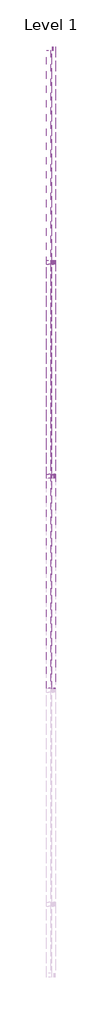
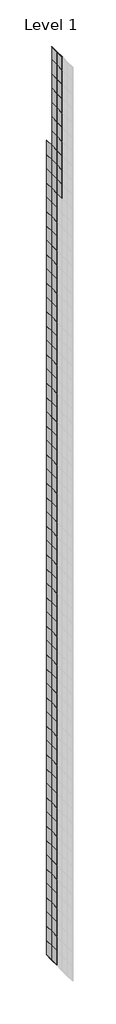
# One storey, part 12 of 29: 131 plates, 4 members.
"""IFC4 building model written with IfcOpenShell, lengths in millimetres."""

import ifcopenshell
import ifcopenshell.guid

model = None  # the IFC model being written
_history = None  # IfcOwnerHistory: only IFC2X3 demands one
_inside = {}  # id of a spatial element -> (the spatial element, [elements in it])
_under = {}  # id of a project, library or spatial element -> (it, [spatial elements below it])
_declared = {}  # id of a project -> (the project, [libraries it declares])
_typed = {}  # id of a type object -> (the type object, [elements of that type])
_made_of = {}  # id of a material, layer set ... -> (it, [elements and type objects made of it])


def new_model(schema):
    """Start an empty IFC model of exactly this schema.

    Asked for "IFC4X3", IfcOpenShell would pick the latest addendum, in which some entities
    have other attributes; the version numbers below select the first issue.
    IFC2X3 requires an IfcOwnerHistory on every rooted entity: one is made here for all.
    """
    global model, _history
    if schema == "IFC4X3":
        model = ifcopenshell.file(schema_version=(4, 3, 0, 0))
    else:
        model = ifcopenshell.file(schema=schema)
    _inside.clear()
    _under.clear()
    _declared.clear()
    _typed.clear()
    _made_of.clear()
    _history = None
    if model.schema == "IFC2X3":
        org = make("IfcOrganization", Name="unknown")
        user = make(
            "IfcPersonAndOrganization",
            ThePerson=make("IfcPerson", FamilyName="unknown"),
            TheOrganization=org,
        )
        app = make(
            "IfcApplication",
            ApplicationDeveloper=org,
            Version="unknown",
            ApplicationFullName="unknown",
            ApplicationIdentifier="unknown",
        )
        _history = make(
            "IfcOwnerHistory",
            OwningUser=user,
            OwningApplication=app,
            ChangeAction="ADDED",
            CreationDate=0,
        )
    return model


def make(cls, **values):
    """One entity of the class cls with the attributes given. An attribute that is None is left unset."""
    return model.create_entity(
        cls, **{name: value for name, value in values.items() if value is not None}
    )


def rooted(cls, **values):
    """An entity with a GlobalId (a new one), such as an element, a storey or a relation."""
    return make(cls, GlobalId=ifcopenshell.guid.new(), OwnerHistory=_history, **values)


def si_unit(unit_type, name, prefix=None):
    """IfcSIUnit, for example si_unit("LENGTHUNIT", "METRE", prefix="MILLI")."""
    return make("IfcSIUnit", UnitType=unit_type, Prefix=prefix, Name=name)


def assignment(units):
    """IfcUnitAssignment: the units of a project."""
    return None if units is None else make("IfcUnitAssignment", Units=units)


def point(xyz):
    """IfcCartesianPoint."""
    return None if xyz is None else make("IfcCartesianPoint", Coordinates=xyz)


def direction(xyz):
    """IfcDirection."""
    return None if xyz is None else make("IfcDirection", DirectionRatios=xyz)


def frame(location, z_axis=None, x_axis=None):
    """IfcAxis2Placement3D, a coordinate frame: its origin and axes. An axis left out is left unset."""
    return make(
        "IfcAxis2Placement3D",
        Location=point(location),
        Axis=direction(z_axis),
        RefDirection=direction(x_axis),
    )


def origin():
    """The frame at (0, 0, 0) with its axes left unset."""
    return frame((0.0, 0.0, 0.0))


def origin_with_axes():
    """The frame at (0, 0, 0) with the z axis (0, 0, 1) and the x axis (1, 0, 0) written out."""
    return frame((0.0, 0.0, 0.0), z_axis=(0.0, 0.0, 1.0), x_axis=(1.0, 0.0, 0.0))


def place(relative_to, where):
    """IfcLocalPlacement: puts the frame where relative to a parent placement (None: the world)."""
    return make(
        "IfcLocalPlacement", PlacementRelTo=relative_to, RelativePlacement=where
    )


def context(
    kind, dimensions, precision=None, world=None, true_north=None, identifier=None
):
    """IfcGeometricRepresentationContext, for example the 3D "Model" context."""
    return make(
        "IfcGeometricRepresentationContext",
        ContextIdentifier=identifier,
        ContextType=kind,
        CoordinateSpaceDimension=dimensions,
        Precision=precision,
        WorldCoordinateSystem=world,
        TrueNorth=true_north,
    )


def project(units=None, contexts=None):
    """IfcProject with its units and contexts."""
    return rooted(
        "IfcProject",
        Name="project",
        RepresentationContexts=contexts,
        UnitsInContext=assignment(units),
    )


def spatial(cls, under=None, at=None, **own):
    """A site, building, storey or space (cls), placed at a placement, below another one or the project."""
    s = rooted(cls, ObjectPlacement=at, **own)
    if under is not None:
        _under.setdefault(under.id(), (under, []))[1].append(s)
    return s


def polyline(points):
    """IfcPolyline through the points."""
    return make("IfcPolyline", Points=[point(p) for p in points])


def outline(outer, holes=None, kind="AREA"):
    """IfcArbitraryClosedProfileDef: a profile drawn as a closed curve; with holes, ...WithVoids."""
    if holes is None:
        return make("IfcArbitraryClosedProfileDef", ProfileType=kind, OuterCurve=outer)
    return make(
        "IfcArbitraryProfileDefWithVoids",
        ProfileType=kind,
        OuterCurve=outer,
        InnerCurves=holes,
    )


def extrude(swept, where, along, depth):
    """IfcExtrudedAreaSolid: the profile swept, set in the frame where, extruded along a direction by depth."""
    return make(
        "IfcExtrudedAreaSolid",
        SweptArea=swept,
        Position=where,
        ExtrudedDirection=direction(along),
        Depth=depth,
    )


def shape(context_of_items, identifier, shape_type, items):
    """IfcShapeRepresentation: the items that make up one representation, for example the "Body"."""
    return make(
        "IfcShapeRepresentation",
        ContextOfItems=context_of_items,
        RepresentationIdentifier=identifier,
        RepresentationType=shape_type,
        Items=items,
    )


def source(mapping_origin, context_of_items, identifier, shape_type, items):
    """IfcRepresentationMap: a shape defined once, which mapped items show again and again."""
    return make(
        "IfcRepresentationMap",
        MappingOrigin=mapping_origin,
        MappedRepresentation=shape(context_of_items, identifier, shape_type, items),
    )


def transform(
    local_origin,
    x_axis=None,
    y_axis=None,
    z_axis=None,
    scale=None,
    scale2=None,
    scale3=None,
    uniform=True,
):
    """IfcCartesianTransformationOperator3D, or its non-uniform kind. x_axis, y_axis, z_axis: its Axis1, 2, 3."""
    if uniform:
        return make(
            "IfcCartesianTransformationOperator3D",
            Axis1=direction(x_axis),
            Axis2=direction(y_axis),
            LocalOrigin=point(local_origin),
            Scale=scale,
            Axis3=direction(z_axis),
        )
    return make(
        "IfcCartesianTransformationOperator3DnonUniform",
        Axis1=direction(x_axis),
        Axis2=direction(y_axis),
        LocalOrigin=point(local_origin),
        Scale=scale,
        Axis3=direction(z_axis),
        Scale2=scale2,
        Scale3=scale3,
    )


def mapped(mapping_source, mapping_target):
    """IfcMappedItem: shows the shape of a source again, moved by a transform."""
    return make(
        "IfcMappedItem", MappingSource=mapping_source, MappingTarget=mapping_target
    )


def made_of(thing, what):
    """Note that an element or type object is made of a material, layer set ...; save() writes the relation."""
    if what is not None:
        _made_of.setdefault(what.id(), (what, []))[1].append(thing)
    return thing


def element(
    cls,
    number,
    at=None,
    inside=None,
    cuts=None,
    type_object=None,
    material=None,
    context=None,
    identifier="Body",
    shape_type=None,
    held_by="IfcProductDefinitionShape",
    body=None,
    shapes=None,
    **own,
):
    """One element of the class cls, such as IfcWall. Its Tag is "e" and its number.

    at: its placement. inside: the storey or other place that contains it. cuts: it is an
    opening in that element (IfcRelVoidsElement). A single representation is given by context,
    identifier, shape_type and body (its items); several are given by shapes. held_by: the class
    of the entity that holds the representations. save() writes the other relations.
    """
    e = rooted(cls, Tag="e%d" % number, ObjectPlacement=at, **own)
    if body is not None:
        shapes = [shape(context, identifier, shape_type, body)]
    if shapes is not None:
        e.Representation = make(held_by, Representations=shapes)
    if inside is not None:
        _inside.setdefault(inside.id(), (inside, []))[1].append(e)
    if cuts is not None:
        rooted(
            "IfcRelVoidsElement", RelatingBuildingElement=cuts, RelatedOpeningElement=e
        )
    if type_object is not None:
        _typed.setdefault(type_object.id(), (type_object, []))[1].append(e)
    return made_of(e, material)


def aggregate(whole, parts):
    """IfcRelAggregates: a whole, such as a stair, and the parts it consists of."""
    return rooted("IfcRelAggregates", RelatingObject=whole, RelatedObjects=parts)


def save(model, path):
    """Write the relations noted so far, then the file.

    IfcRelAggregates (storeys below a building ...), IfcRelContainedInSpatialStructure (elements
    in a storey), IfcRelDefinesByType, IfcRelAssociatesMaterial and IfcRelDeclares: one each for
    every whole, place, type object, material and project.
    """
    for whole, parts in _under.values():
        aggregate(whole, parts)
    for where, things in _inside.values():
        rooted(
            "IfcRelContainedInSpatialStructure",
            RelatedElements=things,
            RelatingStructure=where,
        )
    for kind, things in _typed.values():
        rooted("IfcRelDefinesByType", RelatedObjects=things, RelatingType=kind)
    for what, things in _made_of.values():
        rooted("IfcRelAssociatesMaterial", RelatedObjects=things, RelatingMaterial=what)
    for by, libraries in _declared.values():
        rooted("IfcRelDeclares", RelatingContext=by, RelatedDefinitions=libraries)
    model.write(path)


def rectangular_mullion_30mm_square_0448d2ee(model_context):
    return source(origin(), model_context, "Body", "SweptSolid", [
        extrude(outline(polyline([(0.0, 15.0), (0.0, -15.0), (-30.0, -15.0), (-30.0, 15.0), (0.0, 15.0)])), frame((0.0, 0.0, -1500.0), z_axis=(0.0, 0.0, 1.0), x_axis=(1.0, 0.0, 0.0)), (0.0, 0.0, 1.0), 1500.0),
    ])


def system_panel_glazed_328a1fc4(model_context):
    return source(origin(), model_context, "Body", "SweptSolid", [
        extrude(outline(polyline([(750.0, -49.5), (-750.0, -49.5), (-750.0, -24.5), (750.0, -24.5), (750.0, -49.5)])), origin_with_axes(), (0.0, 0.0, 1.0), 2500.0),
    ])


def system_panel_glazed_00ce7913(model_context):
    return source(origin(), model_context, "Body", "SweptSolid", [
        extrude(outline(polyline([(750.0, -49.5), (-750.0, -49.5), (-750.0, -24.5), (750.0, -24.5), (750.0, -49.5)])), origin_with_axes(), (0.0, 0.0, 1.0), 2300.0),
    ])


model = new_model("IFC4")

# Units and contexts
model_context = context("Model", 3, world=origin())
ifc_project = project(units=[si_unit("LENGTHUNIT", "METRE", prefix="MILLI")], contexts=[model_context])

# Site, building, storey
site = spatial("IfcSite", under=ifc_project)
building = spatial("IfcBuilding", under=site)
storey = spatial("IfcBuildingStorey", under=building, Name="Level 1", Elevation=0.0)

# Members
placement = place(None, origin())
rectangular_mullion_30mm_square_shape = rectangular_mullion_30mm_square_0448d2ee(model_context)
element("IfcMember", 1, ObjectType="Rectangular Mullion : 30mm Square", at=placement, inside=storey, context=model_context, shape_type="MappedRepresentation", body=[
    mapped(rectangular_mullion_30mm_square_shape, transform((27779.9951476, -6946.8870295, 300200.0), x_axis=(0.0, 0.0, 1.0), y_axis=(1.0, 0.0, 0.0), z_axis=(0.0, 1.0, 0.0))),
])
element("IfcMember", 2, ObjectType="Rectangular Mullion : 30mm Square", at=placement, inside=storey, context=model_context, shape_type="MappedRepresentation", body=[
    mapped(rectangular_mullion_30mm_square_shape, transform((27779.9951476, -5446.8870295, 300200.0), x_axis=(0.0, 0.0, 1.0), y_axis=(1.0, 0.0, 0.0), z_axis=(0.0, 1.0, 0.0))),
])
element("IfcMember", 3, ObjectType="Rectangular Mullion : 30mm Square", at=placement, inside=storey, context=model_context, shape_type="MappedRepresentation", body=[
    mapped(rectangular_mullion_30mm_square_shape, transform((27779.9951476, -6946.8870295, 140400.0), x_axis=(0.0, 0.0, -1.0), y_axis=(1.0, 0.0, 0.0), z_axis=(0.0, -1.0, 0.0))),
])
element("IfcMember", 4, ObjectType="Rectangular Mullion : 30mm Square", at=placement, inside=storey, context=model_context, shape_type="MappedRepresentation", body=[
    mapped(rectangular_mullion_30mm_square_shape, transform((27779.9951476, -5446.8870295, 140400.0), x_axis=(0.0, 0.0, -1.0), y_axis=(1.0, 0.0, 0.0), z_axis=(0.0, -1.0, 0.0))),
])

# Plates
system_panel_glazed_shape = system_panel_glazed_328a1fc4(model_context)
element("IfcPlate", 5, ObjectType="System Panel : Glazed", at=placement, inside=storey, context=model_context, shape_type="MappedRepresentation", body=[
    mapped(system_panel_glazed_shape, transform((27779.9951476, -6196.8870295, 140400.0), x_axis=(0.0, 1.0, 0.0), y_axis=(-1.0, 0.0, 0.0), z_axis=(0.0, 0.0, 1.0))),
])
element("IfcPlate", 6, ObjectType="System Panel : Glazed", at=placement, inside=storey, context=model_context, shape_type="MappedRepresentation", body=[
    mapped(system_panel_glazed_shape, transform((27779.9951476, -4696.8870295, 140400.0), x_axis=(0.0, 1.0, 0.0), y_axis=(-1.0, 0.0, 0.0), z_axis=(0.0, 0.0, 1.0))),
])
element("IfcPlate", 7, ObjectType="System Panel : Glazed", at=placement, inside=storey, context=model_context, shape_type="MappedRepresentation", body=[
    mapped(system_panel_glazed_shape, transform((27779.9951476, -6196.8870295, 142900.0), x_axis=(0.0, 1.0, 0.0), y_axis=(-1.0, 0.0, 0.0), z_axis=(0.0, 0.0, 1.0))),
])
element("IfcPlate", 8, ObjectType="System Panel : Glazed", at=placement, inside=storey, context=model_context, shape_type="MappedRepresentation", body=[
    mapped(system_panel_glazed_shape, transform((27779.9951476, -4696.8870295, 142900.0), x_axis=(0.0, 1.0, 0.0), y_axis=(-1.0, 0.0, 0.0), z_axis=(0.0, 0.0, 1.0))),
])
element("IfcPlate", 9, ObjectType="System Panel : Glazed", at=placement, inside=storey, context=model_context, shape_type="MappedRepresentation", body=[
    mapped(system_panel_glazed_shape, transform((27779.9951476, -6196.8870295, 145400.0), x_axis=(0.0, 1.0, 0.0), y_axis=(-1.0, 0.0, 0.0), z_axis=(0.0, 0.0, 1.0))),
])
element("IfcPlate", 10, ObjectType="System Panel : Glazed", at=placement, inside=storey, context=model_context, shape_type="MappedRepresentation", body=[
    mapped(system_panel_glazed_shape, transform((27779.9951476, -4696.8870295, 145400.0), x_axis=(0.0, 1.0, 0.0), y_axis=(-1.0, 0.0, 0.0), z_axis=(0.0, 0.0, 1.0))),
])
element("IfcPlate", 11, ObjectType="System Panel : Glazed", at=placement, inside=storey, context=model_context, shape_type="MappedRepresentation", body=[
    mapped(system_panel_glazed_shape, transform((27779.9951476, -6196.8870295, 147900.0), x_axis=(0.0, 1.0, 0.0), y_axis=(-1.0, 0.0, 0.0), z_axis=(0.0, 0.0, 1.0))),
])
element("IfcPlate", 12, ObjectType="System Panel : Glazed", at=placement, inside=storey, context=model_context, shape_type="MappedRepresentation", body=[
    mapped(system_panel_glazed_shape, transform((27779.9951476, -4696.8870295, 147900.0), x_axis=(0.0, 1.0, 0.0), y_axis=(-1.0, 0.0, 0.0), z_axis=(0.0, 0.0, 1.0))),
])
element("IfcPlate", 13, ObjectType="System Panel : Glazed", at=placement, inside=storey, context=model_context, shape_type="MappedRepresentation", body=[
    mapped(system_panel_glazed_shape, transform((27779.9951476, -6196.8870295, 150400.0), x_axis=(0.0, 1.0, 0.0), y_axis=(-1.0, 0.0, 0.0), z_axis=(0.0, 0.0, 1.0))),
])
element("IfcPlate", 14, ObjectType="System Panel : Glazed", at=placement, inside=storey, context=model_context, shape_type="MappedRepresentation", body=[
    mapped(system_panel_glazed_shape, transform((27779.9951476, -4696.8870295, 150400.0), x_axis=(0.0, 1.0, 0.0), y_axis=(-1.0, 0.0, 0.0), z_axis=(0.0, 0.0, 1.0))),
])
element("IfcPlate", 15, ObjectType="System Panel : Glazed", at=placement, inside=storey, context=model_context, shape_type="MappedRepresentation", body=[
    mapped(system_panel_glazed_shape, transform((27779.9951476, -6196.8870295, 152900.0), x_axis=(0.0, 1.0, 0.0), y_axis=(-1.0, 0.0, 0.0), z_axis=(0.0, 0.0, 1.0))),
])
element("IfcPlate", 16, ObjectType="System Panel : Glazed", at=placement, inside=storey, context=model_context, shape_type="MappedRepresentation", body=[
    mapped(system_panel_glazed_shape, transform((27779.9951476, -4696.8870295, 152900.0), x_axis=(0.0, 1.0, 0.0), y_axis=(-1.0, 0.0, 0.0), z_axis=(0.0, 0.0, 1.0))),
])
element("IfcPlate", 17, ObjectType="System Panel : Glazed", at=placement, inside=storey, context=model_context, shape_type="MappedRepresentation", body=[
    mapped(system_panel_glazed_shape, transform((27779.9951476, -6196.8870295, 155400.0), x_axis=(0.0, 1.0, 0.0), y_axis=(-1.0, 0.0, 0.0), z_axis=(0.0, 0.0, 1.0))),
])
element("IfcPlate", 18, ObjectType="System Panel : Glazed", at=placement, inside=storey, context=model_context, shape_type="MappedRepresentation", body=[
    mapped(system_panel_glazed_shape, transform((27779.9951476, -4696.8870295, 155400.0), x_axis=(0.0, 1.0, 0.0), y_axis=(-1.0, 0.0, 0.0), z_axis=(0.0, 0.0, 1.0))),
])
element("IfcPlate", 19, ObjectType="System Panel : Glazed", at=placement, inside=storey, context=model_context, shape_type="MappedRepresentation", body=[
    mapped(system_panel_glazed_shape, transform((27779.9951476, -6196.8870295, 157900.0), x_axis=(0.0, 1.0, 0.0), y_axis=(-1.0, 0.0, 0.0), z_axis=(0.0, 0.0, 1.0))),
])
element("IfcPlate", 20, ObjectType="System Panel : Glazed", at=placement, inside=storey, context=model_context, shape_type="MappedRepresentation", body=[
    mapped(system_panel_glazed_shape, transform((27779.9951476, -4696.8870295, 157900.0), x_axis=(0.0, 1.0, 0.0), y_axis=(-1.0, 0.0, 0.0), z_axis=(0.0, 0.0, 1.0))),
])
element("IfcPlate", 21, ObjectType="System Panel : Glazed", at=placement, inside=storey, context=model_context, shape_type="MappedRepresentation", body=[
    mapped(system_panel_glazed_shape, transform((27779.9951476, -6196.8870295, 160400.0), x_axis=(0.0, 1.0, 0.0), y_axis=(-1.0, 0.0, 0.0), z_axis=(0.0, 0.0, 1.0))),
])
element("IfcPlate", 22, ObjectType="System Panel : Glazed", at=placement, inside=storey, context=model_context, shape_type="MappedRepresentation", body=[
    mapped(system_panel_glazed_shape, transform((27779.9951476, -4696.8870295, 160400.0), x_axis=(0.0, 1.0, 0.0), y_axis=(-1.0, 0.0, 0.0), z_axis=(0.0, 0.0, 1.0))),
])
element("IfcPlate", 23, ObjectType="System Panel : Glazed", at=placement, inside=storey, context=model_context, shape_type="MappedRepresentation", body=[
    mapped(system_panel_glazed_shape, transform((27779.9951476, -6196.8870295, 162900.0), x_axis=(0.0, 1.0, 0.0), y_axis=(-1.0, 0.0, 0.0), z_axis=(0.0, 0.0, 1.0))),
])
element("IfcPlate", 24, ObjectType="System Panel : Glazed", at=placement, inside=storey, context=model_context, shape_type="MappedRepresentation", body=[
    mapped(system_panel_glazed_shape, transform((27779.9951476, -4696.8870295, 162900.0), x_axis=(0.0, 1.0, 0.0), y_axis=(-1.0, 0.0, 0.0), z_axis=(0.0, 0.0, 1.0))),
])
element("IfcPlate", 25, ObjectType="System Panel : Glazed", at=placement, inside=storey, context=model_context, shape_type="MappedRepresentation", body=[
    mapped(system_panel_glazed_shape, transform((27779.9951476, -6196.8870295, 165400.0), x_axis=(0.0, 1.0, 0.0), y_axis=(-1.0, 0.0, 0.0), z_axis=(0.0, 0.0, 1.0))),
])
element("IfcPlate", 26, ObjectType="System Panel : Glazed", at=placement, inside=storey, context=model_context, shape_type="MappedRepresentation", body=[
    mapped(system_panel_glazed_shape, transform((27779.9951476, -4696.8870295, 165400.0), x_axis=(0.0, 1.0, 0.0), y_axis=(-1.0, 0.0, 0.0), z_axis=(0.0, 0.0, 1.0))),
])
element("IfcPlate", 27, ObjectType="System Panel : Glazed", at=placement, inside=storey, context=model_context, shape_type="MappedRepresentation", body=[
    mapped(system_panel_glazed_shape, transform((27779.9951476, -6196.8870295, 167900.0), x_axis=(0.0, 1.0, 0.0), y_axis=(-1.0, 0.0, 0.0), z_axis=(0.0, 0.0, 1.0))),
])
element("IfcPlate", 28, ObjectType="System Panel : Glazed", at=placement, inside=storey, context=model_context, shape_type="MappedRepresentation", body=[
    mapped(system_panel_glazed_shape, transform((27779.9951476, -4696.8870295, 167900.0), x_axis=(0.0, 1.0, 0.0), y_axis=(-1.0, 0.0, 0.0), z_axis=(0.0, 0.0, 1.0))),
])
element("IfcPlate", 29, ObjectType="System Panel : Glazed", at=placement, inside=storey, context=model_context, shape_type="MappedRepresentation", body=[
    mapped(system_panel_glazed_shape, transform((27779.9951476, -6196.8870295, 170400.0), x_axis=(0.0, 1.0, 0.0), y_axis=(-1.0, 0.0, 0.0), z_axis=(0.0, 0.0, 1.0))),
])
element("IfcPlate", 30, ObjectType="System Panel : Glazed", at=placement, inside=storey, context=model_context, shape_type="MappedRepresentation", body=[
    mapped(system_panel_glazed_shape, transform((27779.9951476, -4696.8870295, 170400.0), x_axis=(0.0, 1.0, 0.0), y_axis=(-1.0, 0.0, 0.0), z_axis=(0.0, 0.0, 1.0))),
])
element("IfcPlate", 31, ObjectType="System Panel : Glazed", at=placement, inside=storey, context=model_context, shape_type="MappedRepresentation", body=[
    mapped(system_panel_glazed_shape, transform((27779.9951476, -6196.8870295, 172900.0), x_axis=(0.0, 1.0, 0.0), y_axis=(-1.0, 0.0, 0.0), z_axis=(0.0, 0.0, 1.0))),
])
element("IfcPlate", 32, ObjectType="System Panel : Glazed", at=placement, inside=storey, context=model_context, shape_type="MappedRepresentation", body=[
    mapped(system_panel_glazed_shape, transform((27779.9951476, -4696.8870295, 172900.0), x_axis=(0.0, 1.0, 0.0), y_axis=(-1.0, 0.0, 0.0), z_axis=(0.0, 0.0, 1.0))),
])
element("IfcPlate", 33, ObjectType="System Panel : Glazed", at=placement, inside=storey, context=model_context, shape_type="MappedRepresentation", body=[
    mapped(system_panel_glazed_shape, transform((27779.9951476, -6196.8870295, 175400.0), x_axis=(0.0, 1.0, 0.0), y_axis=(-1.0, 0.0, 0.0), z_axis=(0.0, 0.0, 1.0))),
])
element("IfcPlate", 34, ObjectType="System Panel : Glazed", at=placement, inside=storey, context=model_context, shape_type="MappedRepresentation", body=[
    mapped(system_panel_glazed_shape, transform((27779.9951476, -4696.8870295, 175400.0), x_axis=(0.0, 1.0, 0.0), y_axis=(-1.0, 0.0, 0.0), z_axis=(0.0, 0.0, 1.0))),
])
element("IfcPlate", 35, ObjectType="System Panel : Glazed", at=placement, inside=storey, context=model_context, shape_type="MappedRepresentation", body=[
    mapped(system_panel_glazed_shape, transform((27779.9951476, -6196.8870295, 177900.0), x_axis=(0.0, 1.0, 0.0), y_axis=(-1.0, 0.0, 0.0), z_axis=(0.0, 0.0, 1.0))),
])
element("IfcPlate", 36, ObjectType="System Panel : Glazed", at=placement, inside=storey, context=model_context, shape_type="MappedRepresentation", body=[
    mapped(system_panel_glazed_shape, transform((27779.9951476, -4696.8870295, 177900.0), x_axis=(0.0, 1.0, 0.0), y_axis=(-1.0, 0.0, 0.0), z_axis=(0.0, 0.0, 1.0))),
])
element("IfcPlate", 37, ObjectType="System Panel : Glazed", at=placement, inside=storey, context=model_context, shape_type="MappedRepresentation", body=[
    mapped(system_panel_glazed_shape, transform((27779.9951476, -6196.8870295, 180400.0), x_axis=(0.0, 1.0, 0.0), y_axis=(-1.0, 0.0, 0.0), z_axis=(0.0, 0.0, 1.0))),
])
element("IfcPlate", 38, ObjectType="System Panel : Glazed", at=placement, inside=storey, context=model_context, shape_type="MappedRepresentation", body=[
    mapped(system_panel_glazed_shape, transform((27779.9951476, -4696.8870295, 180400.0), x_axis=(0.0, 1.0, 0.0), y_axis=(-1.0, 0.0, 0.0), z_axis=(0.0, 0.0, 1.0))),
])
element("IfcPlate", 39, ObjectType="System Panel : Glazed", at=placement, inside=storey, context=model_context, shape_type="MappedRepresentation", body=[
    mapped(system_panel_glazed_shape, transform((27779.9951476, -6196.8870295, 182900.0), x_axis=(0.0, 1.0, 0.0), y_axis=(-1.0, 0.0, 0.0), z_axis=(0.0, 0.0, 1.0))),
])
element("IfcPlate", 40, ObjectType="System Panel : Glazed", at=placement, inside=storey, context=model_context, shape_type="MappedRepresentation", body=[
    mapped(system_panel_glazed_shape, transform((27779.9951476, -4696.8870295, 182900.0), x_axis=(0.0, 1.0, 0.0), y_axis=(-1.0, 0.0, 0.0), z_axis=(0.0, 0.0, 1.0))),
])
element("IfcPlate", 41, ObjectType="System Panel : Glazed", at=placement, inside=storey, context=model_context, shape_type="MappedRepresentation", body=[
    mapped(system_panel_glazed_shape, transform((27779.9951476, -6196.8870295, 185400.0), x_axis=(0.0, 1.0, 0.0), y_axis=(-1.0, 0.0, 0.0), z_axis=(0.0, 0.0, 1.0))),
])
element("IfcPlate", 42, ObjectType="System Panel : Glazed", at=placement, inside=storey, context=model_context, shape_type="MappedRepresentation", body=[
    mapped(system_panel_glazed_shape, transform((27779.9951476, -4696.8870295, 185400.0), x_axis=(0.0, 1.0, 0.0), y_axis=(-1.0, 0.0, 0.0), z_axis=(0.0, 0.0, 1.0))),
])
element("IfcPlate", 43, ObjectType="System Panel : Glazed", at=placement, inside=storey, context=model_context, shape_type="MappedRepresentation", body=[
    mapped(system_panel_glazed_shape, transform((27779.9951476, -6196.8870295, 187900.0), x_axis=(0.0, 1.0, 0.0), y_axis=(-1.0, 0.0, 0.0), z_axis=(0.0, 0.0, 1.0))),
])
element("IfcPlate", 44, ObjectType="System Panel : Glazed", at=placement, inside=storey, context=model_context, shape_type="MappedRepresentation", body=[
    mapped(system_panel_glazed_shape, transform((27779.9951476, -4696.8870295, 187900.0), x_axis=(0.0, 1.0, 0.0), y_axis=(-1.0, 0.0, 0.0), z_axis=(0.0, 0.0, 1.0))),
])
element("IfcPlate", 45, ObjectType="System Panel : Glazed", at=placement, inside=storey, context=model_context, shape_type="MappedRepresentation", body=[
    mapped(system_panel_glazed_shape, transform((27779.9951476, -6196.8870295, 190400.0), x_axis=(0.0, 1.0, 0.0), y_axis=(-1.0, 0.0, 0.0), z_axis=(0.0, 0.0, 1.0))),
])
element("IfcPlate", 46, ObjectType="System Panel : Glazed", at=placement, inside=storey, context=model_context, shape_type="MappedRepresentation", body=[
    mapped(system_panel_glazed_shape, transform((27779.9951476, -4696.8870295, 190400.0), x_axis=(0.0, 1.0, 0.0), y_axis=(-1.0, 0.0, 0.0), z_axis=(0.0, 0.0, 1.0))),
])
element("IfcPlate", 47, ObjectType="System Panel : Glazed", at=placement, inside=storey, context=model_context, shape_type="MappedRepresentation", body=[
    mapped(system_panel_glazed_shape, transform((27779.9951476, -6196.8870295, 192900.0), x_axis=(0.0, 1.0, 0.0), y_axis=(-1.0, 0.0, 0.0), z_axis=(0.0, 0.0, 1.0))),
])
element("IfcPlate", 48, ObjectType="System Panel : Glazed", at=placement, inside=storey, context=model_context, shape_type="MappedRepresentation", body=[
    mapped(system_panel_glazed_shape, transform((27779.9951476, -4696.8870295, 192900.0), x_axis=(0.0, 1.0, 0.0), y_axis=(-1.0, 0.0, 0.0), z_axis=(0.0, 0.0, 1.0))),
])
element("IfcPlate", 49, ObjectType="System Panel : Glazed", at=placement, inside=storey, context=model_context, shape_type="MappedRepresentation", body=[
    mapped(system_panel_glazed_shape, transform((27779.9951476, -6196.8870295, 195400.0), x_axis=(0.0, 1.0, 0.0), y_axis=(-1.0, 0.0, 0.0), z_axis=(0.0, 0.0, 1.0))),
])
element("IfcPlate", 50, ObjectType="System Panel : Glazed", at=placement, inside=storey, context=model_context, shape_type="MappedRepresentation", body=[
    mapped(system_panel_glazed_shape, transform((27779.9951476, -4696.8870295, 195400.0), x_axis=(0.0, 1.0, 0.0), y_axis=(-1.0, 0.0, 0.0), z_axis=(0.0, 0.0, 1.0))),
])
element("IfcPlate", 51, ObjectType="System Panel : Glazed", at=placement, inside=storey, context=model_context, shape_type="MappedRepresentation", body=[
    mapped(system_panel_glazed_shape, transform((27779.9951476, -6196.8870295, 197900.0), x_axis=(0.0, 1.0, 0.0), y_axis=(-1.0, 0.0, 0.0), z_axis=(0.0, 0.0, 1.0))),
])
element("IfcPlate", 52, ObjectType="System Panel : Glazed", at=placement, inside=storey, context=model_context, shape_type="MappedRepresentation", body=[
    mapped(system_panel_glazed_shape, transform((27779.9951476, -4696.8870295, 197900.0), x_axis=(0.0, 1.0, 0.0), y_axis=(-1.0, 0.0, 0.0), z_axis=(0.0, 0.0, 1.0))),
])
element("IfcPlate", 53, ObjectType="System Panel : Glazed", at=placement, inside=storey, context=model_context, shape_type="MappedRepresentation", body=[
    mapped(system_panel_glazed_shape, transform((27779.9951476, -6196.8870295, 200400.0), x_axis=(0.0, 1.0, 0.0), y_axis=(-1.0, 0.0, 0.0), z_axis=(0.0, 0.0, 1.0))),
])
element("IfcPlate", 54, ObjectType="System Panel : Glazed", at=placement, inside=storey, context=model_context, shape_type="MappedRepresentation", body=[
    mapped(system_panel_glazed_shape, transform((27779.9951476, -4696.8870295, 200400.0), x_axis=(0.0, 1.0, 0.0), y_axis=(-1.0, 0.0, 0.0), z_axis=(0.0, 0.0, 1.0))),
])
element("IfcPlate", 55, ObjectType="System Panel : Glazed", at=placement, inside=storey, context=model_context, shape_type="MappedRepresentation", body=[
    mapped(system_panel_glazed_shape, transform((27779.9951476, -6196.8870295, 202900.0), x_axis=(0.0, 1.0, 0.0), y_axis=(-1.0, 0.0, 0.0), z_axis=(0.0, 0.0, 1.0))),
])
element("IfcPlate", 56, ObjectType="System Panel : Glazed", at=placement, inside=storey, context=model_context, shape_type="MappedRepresentation", body=[
    mapped(system_panel_glazed_shape, transform((27779.9951476, -4696.8870295, 202900.0), x_axis=(0.0, 1.0, 0.0), y_axis=(-1.0, 0.0, 0.0), z_axis=(0.0, 0.0, 1.0))),
])
element("IfcPlate", 57, ObjectType="System Panel : Glazed", at=placement, inside=storey, context=model_context, shape_type="MappedRepresentation", body=[
    mapped(system_panel_glazed_shape, transform((27779.9951476, -6196.8870295, 205400.0), x_axis=(0.0, 1.0, 0.0), y_axis=(-1.0, 0.0, 0.0), z_axis=(0.0, 0.0, 1.0))),
])
element("IfcPlate", 58, ObjectType="System Panel : Glazed", at=placement, inside=storey, context=model_context, shape_type="MappedRepresentation", body=[
    mapped(system_panel_glazed_shape, transform((27779.9951476, -4696.8870295, 205400.0), x_axis=(0.0, 1.0, 0.0), y_axis=(-1.0, 0.0, 0.0), z_axis=(0.0, 0.0, 1.0))),
])
element("IfcPlate", 59, ObjectType="System Panel : Glazed", at=placement, inside=storey, context=model_context, shape_type="MappedRepresentation", body=[
    mapped(system_panel_glazed_shape, transform((27779.9951476, -6196.8870295, 207900.0), x_axis=(0.0, 1.0, 0.0), y_axis=(-1.0, 0.0, 0.0), z_axis=(0.0, 0.0, 1.0))),
])
element("IfcPlate", 60, ObjectType="System Panel : Glazed", at=placement, inside=storey, context=model_context, shape_type="MappedRepresentation", body=[
    mapped(system_panel_glazed_shape, transform((27779.9951476, -4696.8870295, 207900.0), x_axis=(0.0, 1.0, 0.0), y_axis=(-1.0, 0.0, 0.0), z_axis=(0.0, 0.0, 1.0))),
])
element("IfcPlate", 61, ObjectType="System Panel : Glazed", at=placement, inside=storey, context=model_context, shape_type="MappedRepresentation", body=[
    mapped(system_panel_glazed_shape, transform((27779.9951476, -6196.8870295, 210400.0), x_axis=(0.0, 1.0, 0.0), y_axis=(-1.0, 0.0, 0.0), z_axis=(0.0, 0.0, 1.0))),
])
element("IfcPlate", 62, ObjectType="System Panel : Glazed", at=placement, inside=storey, context=model_context, shape_type="MappedRepresentation", body=[
    mapped(system_panel_glazed_shape, transform((27779.9951476, -4696.8870295, 210400.0), x_axis=(0.0, 1.0, 0.0), y_axis=(-1.0, 0.0, 0.0), z_axis=(0.0, 0.0, 1.0))),
])
element("IfcPlate", 63, ObjectType="System Panel : Glazed", at=placement, inside=storey, context=model_context, shape_type="MappedRepresentation", body=[
    mapped(system_panel_glazed_shape, transform((27779.9951476, -6196.8870295, 212900.0), x_axis=(0.0, 1.0, 0.0), y_axis=(-1.0, 0.0, 0.0), z_axis=(0.0, 0.0, 1.0))),
])
element("IfcPlate", 64, ObjectType="System Panel : Glazed", at=placement, inside=storey, context=model_context, shape_type="MappedRepresentation", body=[
    mapped(system_panel_glazed_shape, transform((27779.9951476, -4696.8870295, 212900.0), x_axis=(0.0, 1.0, 0.0), y_axis=(-1.0, 0.0, 0.0), z_axis=(0.0, 0.0, 1.0))),
])
element("IfcPlate", 65, ObjectType="System Panel : Glazed", at=placement, inside=storey, context=model_context, shape_type="MappedRepresentation", body=[
    mapped(system_panel_glazed_shape, transform((27779.9951476, -6196.8870295, 215400.0), x_axis=(0.0, 1.0, 0.0), y_axis=(-1.0, 0.0, 0.0), z_axis=(0.0, 0.0, 1.0))),
])
element("IfcPlate", 66, ObjectType="System Panel : Glazed", at=placement, inside=storey, context=model_context, shape_type="MappedRepresentation", body=[
    mapped(system_panel_glazed_shape, transform((27779.9951476, -4696.8870295, 215400.0), x_axis=(0.0, 1.0, 0.0), y_axis=(-1.0, 0.0, 0.0), z_axis=(0.0, 0.0, 1.0))),
])
element("IfcPlate", 67, ObjectType="System Panel : Glazed", at=placement, inside=storey, context=model_context, shape_type="MappedRepresentation", body=[
    mapped(system_panel_glazed_shape, transform((27779.9951476, -6196.8870295, 217900.0), x_axis=(0.0, 1.0, 0.0), y_axis=(-1.0, 0.0, 0.0), z_axis=(0.0, 0.0, 1.0))),
])
element("IfcPlate", 68, ObjectType="System Panel : Glazed", at=placement, inside=storey, context=model_context, shape_type="MappedRepresentation", body=[
    mapped(system_panel_glazed_shape, transform((27779.9951476, -4696.8870295, 217900.0), x_axis=(0.0, 1.0, 0.0), y_axis=(-1.0, 0.0, 0.0), z_axis=(0.0, 0.0, 1.0))),
])
element("IfcPlate", 69, ObjectType="System Panel : Glazed", at=placement, inside=storey, context=model_context, shape_type="MappedRepresentation", body=[
    mapped(system_panel_glazed_shape, transform((27779.9951476, -6196.8870295, 220400.0), x_axis=(0.0, 1.0, 0.0), y_axis=(-1.0, 0.0, 0.0), z_axis=(0.0, 0.0, 1.0))),
])
element("IfcPlate", 70, ObjectType="System Panel : Glazed", at=placement, inside=storey, context=model_context, shape_type="MappedRepresentation", body=[
    mapped(system_panel_glazed_shape, transform((27779.9951476, -4696.8870295, 220400.0), x_axis=(0.0, 1.0, 0.0), y_axis=(-1.0, 0.0, 0.0), z_axis=(0.0, 0.0, 1.0))),
])
element("IfcPlate", 71, ObjectType="System Panel : Glazed", at=placement, inside=storey, context=model_context, shape_type="MappedRepresentation", body=[
    mapped(system_panel_glazed_shape, transform((27779.9951476, -6196.8870295, 222900.0), x_axis=(0.0, 1.0, 0.0), y_axis=(-1.0, 0.0, 0.0), z_axis=(0.0, 0.0, 1.0))),
])
element("IfcPlate", 72, ObjectType="System Panel : Glazed", at=placement, inside=storey, context=model_context, shape_type="MappedRepresentation", body=[
    mapped(system_panel_glazed_shape, transform((27779.9951476, -4696.8870295, 222900.0), x_axis=(0.0, 1.0, 0.0), y_axis=(-1.0, 0.0, 0.0), z_axis=(0.0, 0.0, 1.0))),
])
element("IfcPlate", 73, ObjectType="System Panel : Glazed", at=placement, inside=storey, context=model_context, shape_type="MappedRepresentation", body=[
    mapped(system_panel_glazed_shape, transform((27779.9951476, -6196.8870295, 225400.0), x_axis=(0.0, 1.0, 0.0), y_axis=(-1.0, 0.0, 0.0), z_axis=(0.0, 0.0, 1.0))),
])
element("IfcPlate", 74, ObjectType="System Panel : Glazed", at=placement, inside=storey, context=model_context, shape_type="MappedRepresentation", body=[
    mapped(system_panel_glazed_shape, transform((27779.9951476, -4696.8870295, 225400.0), x_axis=(0.0, 1.0, 0.0), y_axis=(-1.0, 0.0, 0.0), z_axis=(0.0, 0.0, 1.0))),
])
element("IfcPlate", 75, ObjectType="System Panel : Glazed", at=placement, inside=storey, context=model_context, shape_type="MappedRepresentation", body=[
    mapped(system_panel_glazed_shape, transform((27779.9951476, -6196.8870295, 227900.0), x_axis=(0.0, 1.0, 0.0), y_axis=(-1.0, 0.0, 0.0), z_axis=(0.0, 0.0, 1.0))),
])
element("IfcPlate", 76, ObjectType="System Panel : Glazed", at=placement, inside=storey, context=model_context, shape_type="MappedRepresentation", body=[
    mapped(system_panel_glazed_shape, transform((27779.9951476, -4696.8870295, 227900.0), x_axis=(0.0, 1.0, 0.0), y_axis=(-1.0, 0.0, 0.0), z_axis=(0.0, 0.0, 1.0))),
])
element("IfcPlate", 77, ObjectType="System Panel : Glazed", at=placement, inside=storey, context=model_context, shape_type="MappedRepresentation", body=[
    mapped(system_panel_glazed_shape, transform((27779.9951476, -6196.8870295, 230400.0), x_axis=(0.0, 1.0, 0.0), y_axis=(-1.0, 0.0, 0.0), z_axis=(0.0, 0.0, 1.0))),
])
element("IfcPlate", 78, ObjectType="System Panel : Glazed", at=placement, inside=storey, context=model_context, shape_type="MappedRepresentation", body=[
    mapped(system_panel_glazed_shape, transform((27779.9951476, -4696.8870295, 230400.0), x_axis=(0.0, 1.0, 0.0), y_axis=(-1.0, 0.0, 0.0), z_axis=(0.0, 0.0, 1.0))),
])
element("IfcPlate", 79, ObjectType="System Panel : Glazed", at=placement, inside=storey, context=model_context, shape_type="MappedRepresentation", body=[
    mapped(system_panel_glazed_shape, transform((27779.9951476, -6196.8870295, 232900.0), x_axis=(0.0, 1.0, 0.0), y_axis=(-1.0, 0.0, 0.0), z_axis=(0.0, 0.0, 1.0))),
])
element("IfcPlate", 80, ObjectType="System Panel : Glazed", at=placement, inside=storey, context=model_context, shape_type="MappedRepresentation", body=[
    mapped(system_panel_glazed_shape, transform((27779.9951476, -4696.8870295, 232900.0), x_axis=(0.0, 1.0, 0.0), y_axis=(-1.0, 0.0, 0.0), z_axis=(0.0, 0.0, 1.0))),
])
element("IfcPlate", 81, ObjectType="System Panel : Glazed", at=placement, inside=storey, context=model_context, shape_type="MappedRepresentation", body=[
    mapped(system_panel_glazed_shape, transform((27779.9951476, -6196.8870295, 235400.0), x_axis=(0.0, 1.0, 0.0), y_axis=(-1.0, 0.0, 0.0), z_axis=(0.0, 0.0, 1.0))),
])
element("IfcPlate", 82, ObjectType="System Panel : Glazed", at=placement, inside=storey, context=model_context, shape_type="MappedRepresentation", body=[
    mapped(system_panel_glazed_shape, transform((27779.9951476, -4696.8870295, 235400.0), x_axis=(0.0, 1.0, 0.0), y_axis=(-1.0, 0.0, 0.0), z_axis=(0.0, 0.0, 1.0))),
])
element("IfcPlate", 83, ObjectType="System Panel : Glazed", at=placement, inside=storey, context=model_context, shape_type="MappedRepresentation", body=[
    mapped(system_panel_glazed_shape, transform((27779.9951476, -6196.8870295, 237900.0), x_axis=(0.0, 1.0, 0.0), y_axis=(-1.0, 0.0, 0.0), z_axis=(0.0, 0.0, 1.0))),
])
element("IfcPlate", 84, ObjectType="System Panel : Glazed", at=placement, inside=storey, context=model_context, shape_type="MappedRepresentation", body=[
    mapped(system_panel_glazed_shape, transform((27779.9951476, -4696.8870295, 237900.0), x_axis=(0.0, 1.0, 0.0), y_axis=(-1.0, 0.0, 0.0), z_axis=(0.0, 0.0, 1.0))),
])
element("IfcPlate", 85, ObjectType="System Panel : Glazed", at=placement, inside=storey, context=model_context, shape_type="MappedRepresentation", body=[
    mapped(system_panel_glazed_shape, transform((27779.9951476, -6196.8870295, 240400.0), x_axis=(0.0, 1.0, 0.0), y_axis=(-1.0, 0.0, 0.0), z_axis=(0.0, 0.0, 1.0))),
])
element("IfcPlate", 86, ObjectType="System Panel : Glazed", at=placement, inside=storey, context=model_context, shape_type="MappedRepresentation", body=[
    mapped(system_panel_glazed_shape, transform((27779.9951476, -4696.8870295, 240400.0), x_axis=(0.0, 1.0, 0.0), y_axis=(-1.0, 0.0, 0.0), z_axis=(0.0, 0.0, 1.0))),
])
element("IfcPlate", 87, ObjectType="System Panel : Glazed", at=placement, inside=storey, context=model_context, shape_type="MappedRepresentation", body=[
    mapped(system_panel_glazed_shape, transform((27779.9951476, -6196.8870295, 242900.0), x_axis=(0.0, 1.0, 0.0), y_axis=(-1.0, 0.0, 0.0), z_axis=(0.0, 0.0, 1.0))),
])
element("IfcPlate", 88, ObjectType="System Panel : Glazed", at=placement, inside=storey, context=model_context, shape_type="MappedRepresentation", body=[
    mapped(system_panel_glazed_shape, transform((27779.9951476, -4696.8870295, 242900.0), x_axis=(0.0, 1.0, 0.0), y_axis=(-1.0, 0.0, 0.0), z_axis=(0.0, 0.0, 1.0))),
])
element("IfcPlate", 89, ObjectType="System Panel : Glazed", at=placement, inside=storey, context=model_context, shape_type="MappedRepresentation", body=[
    mapped(system_panel_glazed_shape, transform((27779.9951476, -6196.8870295, 245400.0), x_axis=(0.0, 1.0, 0.0), y_axis=(-1.0, 0.0, 0.0), z_axis=(0.0, 0.0, 1.0))),
])
element("IfcPlate", 90, ObjectType="System Panel : Glazed", at=placement, inside=storey, context=model_context, shape_type="MappedRepresentation", body=[
    mapped(system_panel_glazed_shape, transform((27779.9951476, -4696.8870295, 245400.0), x_axis=(0.0, 1.0, 0.0), y_axis=(-1.0, 0.0, 0.0), z_axis=(0.0, 0.0, 1.0))),
])
element("IfcPlate", 91, ObjectType="System Panel : Glazed", at=placement, inside=storey, context=model_context, shape_type="MappedRepresentation", body=[
    mapped(system_panel_glazed_shape, transform((27779.9951476, -6196.8870295, 247900.0), x_axis=(0.0, 1.0, 0.0), y_axis=(-1.0, 0.0, 0.0), z_axis=(0.0, 0.0, 1.0))),
])
element("IfcPlate", 92, ObjectType="System Panel : Glazed", at=placement, inside=storey, context=model_context, shape_type="MappedRepresentation", body=[
    mapped(system_panel_glazed_shape, transform((27779.9951476, -4696.8870295, 247900.0), x_axis=(0.0, 1.0, 0.0), y_axis=(-1.0, 0.0, 0.0), z_axis=(0.0, 0.0, 1.0))),
])
element("IfcPlate", 93, ObjectType="System Panel : Glazed", at=placement, inside=storey, context=model_context, shape_type="MappedRepresentation", body=[
    mapped(system_panel_glazed_shape, transform((27779.9951476, -6196.8870295, 250400.0), x_axis=(0.0, 1.0, 0.0), y_axis=(-1.0, 0.0, 0.0), z_axis=(0.0, 0.0, 1.0))),
])
element("IfcPlate", 94, ObjectType="System Panel : Glazed", at=placement, inside=storey, context=model_context, shape_type="MappedRepresentation", body=[
    mapped(system_panel_glazed_shape, transform((27779.9951476, -4696.8870295, 250400.0), x_axis=(0.0, 1.0, 0.0), y_axis=(-1.0, 0.0, 0.0), z_axis=(0.0, 0.0, 1.0))),
])
element("IfcPlate", 95, ObjectType="System Panel : Glazed", at=placement, inside=storey, context=model_context, shape_type="MappedRepresentation", body=[
    mapped(system_panel_glazed_shape, transform((27779.9951476, -6196.8870295, 252900.0), x_axis=(0.0, 1.0, 0.0), y_axis=(-1.0, 0.0, 0.0), z_axis=(0.0, 0.0, 1.0))),
])
element("IfcPlate", 96, ObjectType="System Panel : Glazed", at=placement, inside=storey, context=model_context, shape_type="MappedRepresentation", body=[
    mapped(system_panel_glazed_shape, transform((27779.9951476, -4696.8870295, 252900.0), x_axis=(0.0, 1.0, 0.0), y_axis=(-1.0, 0.0, 0.0), z_axis=(0.0, 0.0, 1.0))),
])
element("IfcPlate", 97, ObjectType="System Panel : Glazed", at=placement, inside=storey, context=model_context, shape_type="MappedRepresentation", body=[
    mapped(system_panel_glazed_shape, transform((27779.9951476, -6196.8870295, 255400.0), x_axis=(0.0, 1.0, 0.0), y_axis=(-1.0, 0.0, 0.0), z_axis=(0.0, 0.0, 1.0))),
])
element("IfcPlate", 98, ObjectType="System Panel : Glazed", at=placement, inside=storey, context=model_context, shape_type="MappedRepresentation", body=[
    mapped(system_panel_glazed_shape, transform((27779.9951476, -4696.8870295, 255400.0), x_axis=(0.0, 1.0, 0.0), y_axis=(-1.0, 0.0, 0.0), z_axis=(0.0, 0.0, 1.0))),
])
element("IfcPlate", 99, ObjectType="System Panel : Glazed", at=placement, inside=storey, context=model_context, shape_type="MappedRepresentation", body=[
    mapped(system_panel_glazed_shape, transform((27779.9951476, -6196.8870295, 257900.0), x_axis=(0.0, 1.0, 0.0), y_axis=(-1.0, 0.0, 0.0), z_axis=(0.0, 0.0, 1.0))),
])
element("IfcPlate", 100, ObjectType="System Panel : Glazed", at=placement, inside=storey, context=model_context, shape_type="MappedRepresentation", body=[
    mapped(system_panel_glazed_shape, transform((27779.9951476, -4696.8870295, 257900.0), x_axis=(0.0, 1.0, 0.0), y_axis=(-1.0, 0.0, 0.0), z_axis=(0.0, 0.0, 1.0))),
])
element("IfcPlate", 101, ObjectType="System Panel : Glazed", at=placement, inside=storey, context=model_context, shape_type="MappedRepresentation", body=[
    mapped(system_panel_glazed_shape, transform((27779.9951476, -6196.8870295, 260400.0), x_axis=(0.0, 1.0, 0.0), y_axis=(-1.0, 0.0, 0.0), z_axis=(0.0, 0.0, 1.0))),
])
element("IfcPlate", 102, ObjectType="System Panel : Glazed", at=placement, inside=storey, context=model_context, shape_type="MappedRepresentation", body=[
    mapped(system_panel_glazed_shape, transform((27779.9951476, -4696.8870295, 260400.0), x_axis=(0.0, 1.0, 0.0), y_axis=(-1.0, 0.0, 0.0), z_axis=(0.0, 0.0, 1.0))),
])
element("IfcPlate", 103, ObjectType="System Panel : Glazed", at=placement, inside=storey, context=model_context, shape_type="MappedRepresentation", body=[
    mapped(system_panel_glazed_shape, transform((27779.9951476, -6196.8870295, 262900.0), x_axis=(0.0, 1.0, 0.0), y_axis=(-1.0, 0.0, 0.0), z_axis=(0.0, 0.0, 1.0))),
])
element("IfcPlate", 104, ObjectType="System Panel : Glazed", at=placement, inside=storey, context=model_context, shape_type="MappedRepresentation", body=[
    mapped(system_panel_glazed_shape, transform((27779.9951476, -4696.8870295, 262900.0), x_axis=(0.0, 1.0, 0.0), y_axis=(-1.0, 0.0, 0.0), z_axis=(0.0, 0.0, 1.0))),
])
element("IfcPlate", 105, ObjectType="System Panel : Glazed", at=placement, inside=storey, context=model_context, shape_type="MappedRepresentation", body=[
    mapped(system_panel_glazed_shape, transform((27779.9951476, -6196.8870295, 265400.0), x_axis=(0.0, 1.0, 0.0), y_axis=(-1.0, 0.0, 0.0), z_axis=(0.0, 0.0, 1.0))),
])
element("IfcPlate", 106, ObjectType="System Panel : Glazed", at=placement, inside=storey, context=model_context, shape_type="MappedRepresentation", body=[
    mapped(system_panel_glazed_shape, transform((27779.9951476, -4696.8870295, 265400.0), x_axis=(0.0, 1.0, 0.0), y_axis=(-1.0, 0.0, 0.0), z_axis=(0.0, 0.0, 1.0))),
])
element("IfcPlate", 107, ObjectType="System Panel : Glazed", at=placement, inside=storey, context=model_context, shape_type="MappedRepresentation", body=[
    mapped(system_panel_glazed_shape, transform((27779.9951476, -6196.8870295, 267900.0), x_axis=(0.0, 1.0, 0.0), y_axis=(-1.0, 0.0, 0.0), z_axis=(0.0, 0.0, 1.0))),
])
element("IfcPlate", 108, ObjectType="System Panel : Glazed", at=placement, inside=storey, context=model_context, shape_type="MappedRepresentation", body=[
    mapped(system_panel_glazed_shape, transform((27779.9951476, -4696.8870295, 267900.0), x_axis=(0.0, 1.0, 0.0), y_axis=(-1.0, 0.0, 0.0), z_axis=(0.0, 0.0, 1.0))),
])
element("IfcPlate", 109, ObjectType="System Panel : Glazed", at=placement, inside=storey, context=model_context, shape_type="MappedRepresentation", body=[
    mapped(system_panel_glazed_shape, transform((27779.9951476, -6196.8870295, 270400.0), x_axis=(0.0, 1.0, 0.0), y_axis=(-1.0, 0.0, 0.0), z_axis=(0.0, 0.0, 1.0))),
])
element("IfcPlate", 110, ObjectType="System Panel : Glazed", at=placement, inside=storey, context=model_context, shape_type="MappedRepresentation", body=[
    mapped(system_panel_glazed_shape, transform((27779.9951476, -4696.8870295, 270400.0), x_axis=(0.0, 1.0, 0.0), y_axis=(-1.0, 0.0, 0.0), z_axis=(0.0, 0.0, 1.0))),
])
element("IfcPlate", 111, ObjectType="System Panel : Glazed", at=placement, inside=storey, context=model_context, shape_type="MappedRepresentation", body=[
    mapped(system_panel_glazed_shape, transform((27779.9951476, -6196.8870295, 272900.0), x_axis=(0.0, 1.0, 0.0), y_axis=(-1.0, 0.0, 0.0), z_axis=(0.0, 0.0, 1.0))),
])
element("IfcPlate", 112, ObjectType="System Panel : Glazed", at=placement, inside=storey, context=model_context, shape_type="MappedRepresentation", body=[
    mapped(system_panel_glazed_shape, transform((27779.9951476, -4696.8870295, 272900.0), x_axis=(0.0, 1.0, 0.0), y_axis=(-1.0, 0.0, 0.0), z_axis=(0.0, 0.0, 1.0))),
])
element("IfcPlate", 113, ObjectType="System Panel : Glazed", at=placement, inside=storey, context=model_context, shape_type="MappedRepresentation", body=[
    mapped(system_panel_glazed_shape, transform((27779.9951476, -7696.8870295, 275400.0), x_axis=(0.0, 1.0, 0.0), y_axis=(-1.0, 0.0, 0.0), z_axis=(0.0, 0.0, 1.0))),
])
element("IfcPlate", 114, ObjectType="System Panel : Glazed", at=placement, inside=storey, context=model_context, shape_type="MappedRepresentation", body=[
    mapped(system_panel_glazed_shape, transform((27779.9951476, -6196.8870295, 275400.0), x_axis=(0.0, 1.0, 0.0), y_axis=(-1.0, 0.0, 0.0), z_axis=(0.0, 0.0, 1.0))),
])
element("IfcPlate", 115, ObjectType="System Panel : Glazed", at=placement, inside=storey, context=model_context, shape_type="MappedRepresentation", body=[
    mapped(system_panel_glazed_shape, transform((27779.9951476, -4696.8870295, 275400.0), x_axis=(0.0, 1.0, 0.0), y_axis=(-1.0, 0.0, 0.0), z_axis=(0.0, 0.0, 1.0))),
])
element("IfcPlate", 116, ObjectType="System Panel : Glazed", at=placement, inside=storey, context=model_context, shape_type="MappedRepresentation", body=[
    mapped(system_panel_glazed_shape, transform((27779.9951476, -7696.8870295, 277900.0), x_axis=(0.0, 1.0, 0.0), y_axis=(-1.0, 0.0, 0.0), z_axis=(0.0, 0.0, 1.0))),
])
element("IfcPlate", 117, ObjectType="System Panel : Glazed", at=placement, inside=storey, context=model_context, shape_type="MappedRepresentation", body=[
    mapped(system_panel_glazed_shape, transform((27779.9951476, -6196.8870295, 277900.0), x_axis=(0.0, 1.0, 0.0), y_axis=(-1.0, 0.0, 0.0), z_axis=(0.0, 0.0, 1.0))),
])
element("IfcPlate", 118, ObjectType="System Panel : Glazed", at=placement, inside=storey, context=model_context, shape_type="MappedRepresentation", body=[
    mapped(system_panel_glazed_shape, transform((27779.9951476, -4696.8870295, 277900.0), x_axis=(0.0, 1.0, 0.0), y_axis=(-1.0, 0.0, 0.0), z_axis=(0.0, 0.0, 1.0))),
])
element("IfcPlate", 119, ObjectType="System Panel : Glazed", at=placement, inside=storey, context=model_context, shape_type="MappedRepresentation", body=[
    mapped(system_panel_glazed_shape, transform((27779.9951476, -7696.8870295, 280400.0), x_axis=(0.0, 1.0, 0.0), y_axis=(-1.0, 0.0, 0.0), z_axis=(0.0, 0.0, 1.0))),
])
element("IfcPlate", 120, ObjectType="System Panel : Glazed", at=placement, inside=storey, context=model_context, shape_type="MappedRepresentation", body=[
    mapped(system_panel_glazed_shape, transform((27779.9951476, -6196.8870295, 280400.0), x_axis=(0.0, 1.0, 0.0), y_axis=(-1.0, 0.0, 0.0), z_axis=(0.0, 0.0, 1.0))),
])
element("IfcPlate", 121, ObjectType="System Panel : Glazed", at=placement, inside=storey, context=model_context, shape_type="MappedRepresentation", body=[
    mapped(system_panel_glazed_shape, transform((27779.9951476, -4696.8870295, 280400.0), x_axis=(0.0, 1.0, 0.0), y_axis=(-1.0, 0.0, 0.0), z_axis=(0.0, 0.0, 1.0))),
])
element("IfcPlate", 122, ObjectType="System Panel : Glazed", at=placement, inside=storey, context=model_context, shape_type="MappedRepresentation", body=[
    mapped(system_panel_glazed_shape, transform((27779.9951476, -7696.8870295, 282900.0), x_axis=(0.0, 1.0, 0.0), y_axis=(-1.0, 0.0, 0.0), z_axis=(0.0, 0.0, 1.0))),
])
element("IfcPlate", 123, ObjectType="System Panel : Glazed", at=placement, inside=storey, context=model_context, shape_type="MappedRepresentation", body=[
    mapped(system_panel_glazed_shape, transform((27779.9951476, -6196.8870295, 282900.0), x_axis=(0.0, 1.0, 0.0), y_axis=(-1.0, 0.0, 0.0), z_axis=(0.0, 0.0, 1.0))),
])
element("IfcPlate", 124, ObjectType="System Panel : Glazed", at=placement, inside=storey, context=model_context, shape_type="MappedRepresentation", body=[
    mapped(system_panel_glazed_shape, transform((27779.9951476, -7696.8870295, 285400.0), x_axis=(0.0, 1.0, 0.0), y_axis=(-1.0, 0.0, 0.0), z_axis=(0.0, 0.0, 1.0))),
])
element("IfcPlate", 125, ObjectType="System Panel : Glazed", at=placement, inside=storey, context=model_context, shape_type="MappedRepresentation", body=[
    mapped(system_panel_glazed_shape, transform((27779.9951476, -6196.8870295, 285400.0), x_axis=(0.0, 1.0, 0.0), y_axis=(-1.0, 0.0, 0.0), z_axis=(0.0, 0.0, 1.0))),
])
element("IfcPlate", 126, ObjectType="System Panel : Glazed", at=placement, inside=storey, context=model_context, shape_type="MappedRepresentation", body=[
    mapped(system_panel_glazed_shape, transform((27779.9951476, -7696.8870295, 287900.0), x_axis=(0.0, 1.0, 0.0), y_axis=(-1.0, 0.0, 0.0), z_axis=(0.0, 0.0, 1.0))),
])
element("IfcPlate", 127, ObjectType="System Panel : Glazed", at=placement, inside=storey, context=model_context, shape_type="MappedRepresentation", body=[
    mapped(system_panel_glazed_shape, transform((27779.9951476, -6196.8870295, 287900.0), x_axis=(0.0, 1.0, 0.0), y_axis=(-1.0, 0.0, 0.0), z_axis=(0.0, 0.0, 1.0))),
])
element("IfcPlate", 128, ObjectType="System Panel : Glazed", at=placement, inside=storey, context=model_context, shape_type="MappedRepresentation", body=[
    mapped(system_panel_glazed_shape, transform((27779.9951476, -7696.8870295, 290400.0), x_axis=(0.0, 1.0, 0.0), y_axis=(-1.0, 0.0, 0.0), z_axis=(0.0, 0.0, 1.0))),
])
element("IfcPlate", 129, ObjectType="System Panel : Glazed", at=placement, inside=storey, context=model_context, shape_type="MappedRepresentation", body=[
    mapped(system_panel_glazed_shape, transform((27779.9951476, -6196.8870295, 290400.0), x_axis=(0.0, 1.0, 0.0), y_axis=(-1.0, 0.0, 0.0), z_axis=(0.0, 0.0, 1.0))),
])
element("IfcPlate", 130, ObjectType="System Panel : Glazed", at=placement, inside=storey, context=model_context, shape_type="MappedRepresentation", body=[
    mapped(system_panel_glazed_shape, transform((27779.9951476, -7696.8870295, 292900.0), x_axis=(0.0, 1.0, 0.0), y_axis=(-1.0, 0.0, 0.0), z_axis=(0.0, 0.0, 1.0))),
])
element("IfcPlate", 131, ObjectType="System Panel : Glazed", at=placement, inside=storey, context=model_context, shape_type="MappedRepresentation", body=[
    mapped(system_panel_glazed_shape, transform((27779.9951476, -6196.8870295, 292900.0), x_axis=(0.0, 1.0, 0.0), y_axis=(-1.0, 0.0, 0.0), z_axis=(0.0, 0.0, 1.0))),
])
element("IfcPlate", 132, ObjectType="System Panel : Glazed", at=placement, inside=storey, context=model_context, shape_type="MappedRepresentation", body=[
    mapped(system_panel_glazed_shape, transform((27779.9951476, -7696.8870295, 295400.0), x_axis=(0.0, 1.0, 0.0), y_axis=(-1.0, 0.0, 0.0), z_axis=(0.0, 0.0, 1.0))),
])
element("IfcPlate", 133, ObjectType="System Panel : Glazed", at=placement, inside=storey, context=model_context, shape_type="MappedRepresentation", body=[
    mapped(system_panel_glazed_shape, transform((27779.9951476, -6196.8870295, 295400.0), x_axis=(0.0, 1.0, 0.0), y_axis=(-1.0, 0.0, 0.0), z_axis=(0.0, 0.0, 1.0))),
])
system_panel_glazed_2_shape = system_panel_glazed_00ce7913(model_context)
element("IfcPlate", 134, ObjectType="System Panel : Glazed", at=placement, inside=storey, context=model_context, shape_type="MappedRepresentation", body=[
    mapped(system_panel_glazed_2_shape, transform((27779.9951476, -7696.8870295, 297900.0), x_axis=(0.0, 1.0, 0.0), y_axis=(-1.0, 0.0, 0.0), z_axis=(0.0, 0.0, 1.0))),
])
element("IfcPlate", 135, ObjectType="System Panel : Glazed", at=placement, inside=storey, context=model_context, shape_type="MappedRepresentation", body=[
    mapped(system_panel_glazed_2_shape, transform((27779.9951476, -6196.8870295, 297900.0), x_axis=(0.0, 1.0, 0.0), y_axis=(-1.0, 0.0, 0.0), z_axis=(0.0, 0.0, 1.0))),
])

save(model, "model.ifc")
